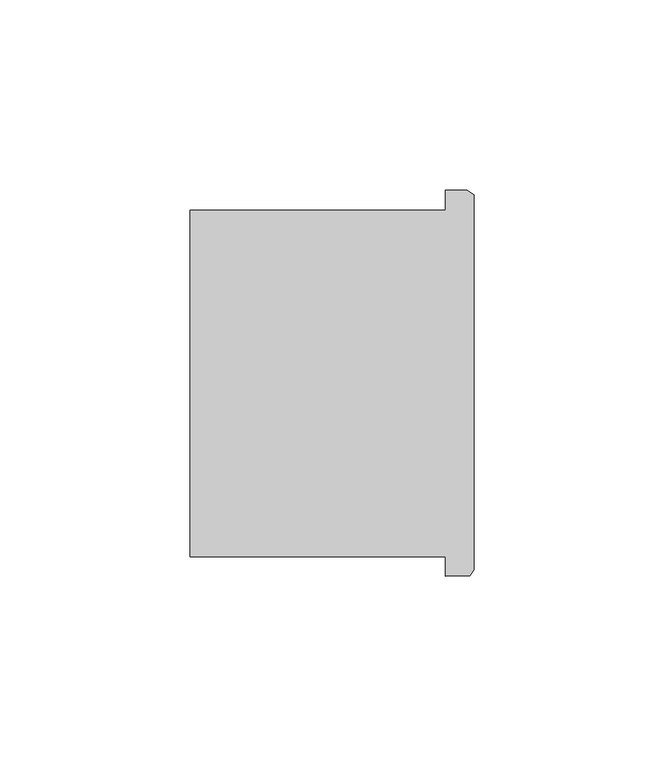
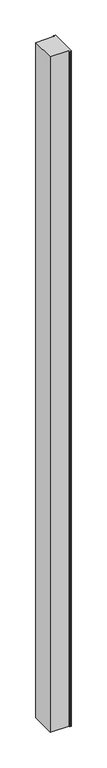
"""IFC4 building model written with IfcOpenShell, lengths in millimetres: column geometry."""

from ifc_helpers import new_model, si_unit, frame, origin, place, context, project, spatial, polyline, outline, extrude, source, transform, mapped, element, save


def column_c4badbed(model_context):
    return source(origin(), model_context, "Body", "SweptSolid", [
        extrude(outline(polyline([(81712.271297, -47772.690205), (81712.271297, -47767.5990544), (81644.982379, -47767.5990544), (81644.982379, -47676.3891022), (81712.271297, -47676.3891022), (81712.271297, -47671.090205), (81717.970168, -47671.090205), (81719.7436976, -47672.3242386), (81719.7436976, -47771.0469012), (81718.658508, -47772.5351888), (81712.271297, -47772.690205)])), frame((0.0, 0.0, 4419.602032), z_axis=(0.0, 0.0, 1.0), x_axis=(1.0, 0.0, 0.0)), (0.0, 0.0, 1.0), 2590.8000752),
        extrude(outline(polyline([(81712.271297, -47772.690205), (81712.271297, -47767.5990544), (81644.982379, -47767.5990544), (81644.982379, -47676.3891022), (81712.271297, -47676.3891022), (81712.271297, -47671.090205), (81717.970168, -47671.090205), (81719.7436976, -47672.3242386), (81719.7436976, -47771.0469012), (81718.658508, -47772.5351888), (81712.271297, -47772.690205)])), frame((0.0, 0.0, 4419.602032), z_axis=(0.0, 0.0, 1.0), x_axis=(1.0, 0.0, 0.0)), (0.0, 0.0, 1.0), 2590.8000752),
    ])


if __name__ == "__main__":
    model = new_model("IFC4")
    model_context = context("Model", 3, world=origin())
    ifc_project = project(units=[si_unit("LENGTHUNIT", "METRE", prefix="MILLI")], contexts=[model_context])
    site = spatial("IfcSite", under=ifc_project)
    building = spatial("IfcBuilding", under=site)
    placement = place(None, origin())
    column_shape = column_c4badbed(model_context)
    element("IfcColumn", 1, at=placement, inside=building, context=model_context, shape_type="MappedRepresentation", body=[
        mapped(column_shape, transform((0.0, 0.0, 0.0), x_axis=(1.0, 0.0, 0.0), y_axis=(0.0, 1.0, 0.0), z_axis=(0.0, 0.0, 1.0))),
    ])
    save(model, "model.ifc")
